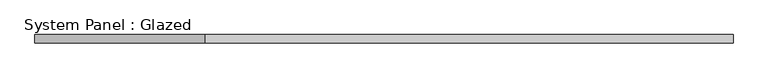
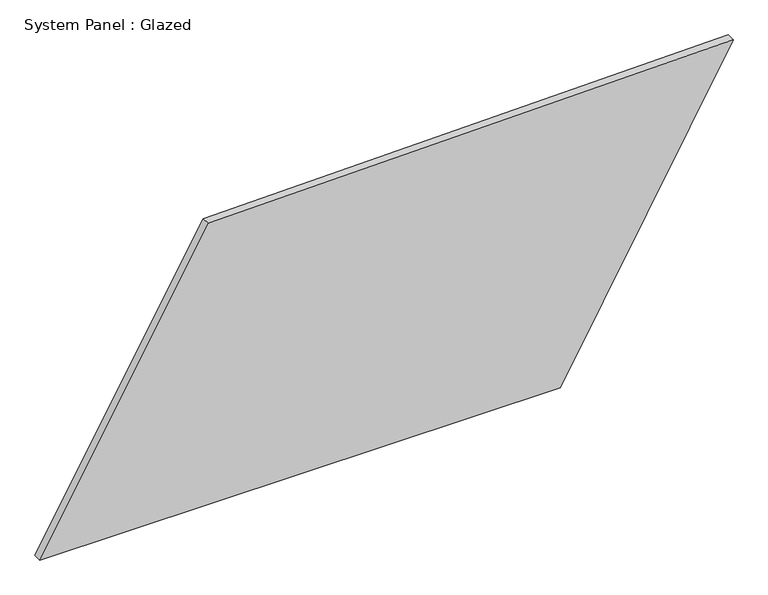
"""IFC4 building model written with IfcOpenShell, lengths in millimetres: plate geometry, System Panel : Glazed."""

from ifc_helpers import new_model, si_unit, frame, origin, place, context, project, spatial, polyline, outline, extrude, source, transform, mapped, element, save


def system_panel_glazed_932ea1dc(model_context):
    return source(origin(), model_context, "Body", "SweptSolid", [
        extrude(outline(polyline([(0.0, -1026.4952994), (0.0, 514.65573), (910.0183453, 1026.4952994), (878.8822258, -527.5455429), (0.0, -1026.4952994)])), frame((0.0, -49.5, 0.0), z_axis=(0.0, 1.0, 0.0), x_axis=(0.0, 0.0, 1.0)), (0.0, 0.0, 1.0), 25.0),
    ])


if __name__ == "__main__":
    model = new_model("IFC4")
    model_context = context("Model", 3, world=origin())
    ifc_project = project(units=[si_unit("LENGTHUNIT", "METRE", prefix="MILLI")], contexts=[model_context])
    site = spatial("IfcSite", under=ifc_project)
    building = spatial("IfcBuilding", under=site)
    placement = place(None, origin())
    system_panel_glazed_shape = system_panel_glazed_932ea1dc(model_context)
    element("IfcPlate", 1, ObjectType="System Panel : Glazed", at=placement, inside=building, context=model_context, shape_type="MappedRepresentation", body=[
        mapped(system_panel_glazed_shape, transform((0.0, 0.0, 0.0), x_axis=(1.0, 0.0, 0.0), y_axis=(0.0, 1.0, 0.0), z_axis=(0.0, 0.0, 1.0))),
    ])
    save(model, "model.ifc")
